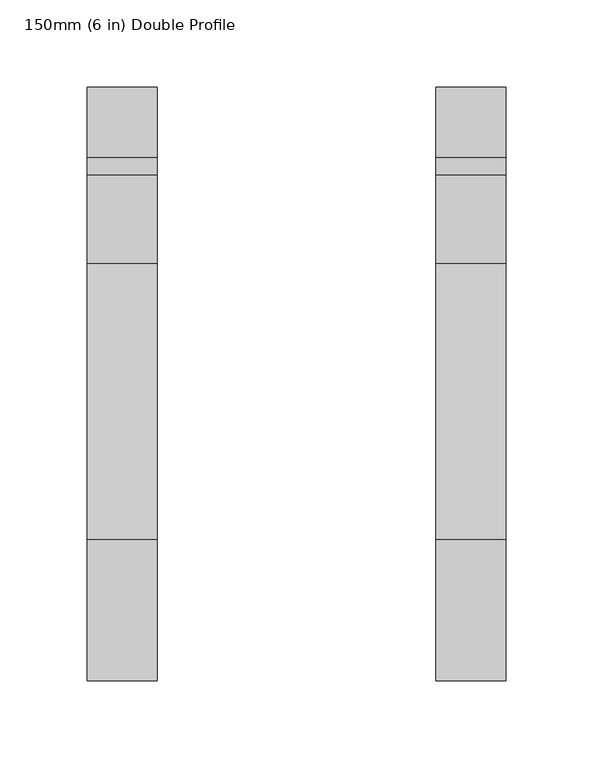
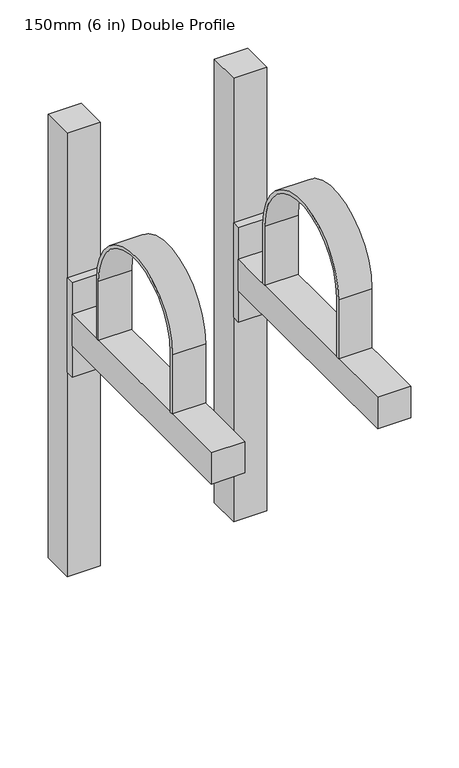
"""IFC4 building model written with IfcOpenShell, lengths in millimetres: proxy geometry, 150mm (6 in) Double Profile."""

from ifc_helpers import new_model, si_unit, point, frame, frame_2d, origin, origin_with_axes, place, context, project, spatial, polyline, circle_curve, trimmed, segment, composite_curve, outline, extrude, source, transform, mapped, element, save


def proxy_150mm_6_in_double_profile_9946b519(model_context):
    return source(origin(), model_context, "Body", "SweptSolid", [
        extrude(outline(composite_curve([segment(polyline([(-255.0, 415.0), (-255.0, 340.0), (-259.0, 340.0), (-259.0, 415.0)]), True, "CONTINUOUS"), segment(trimmed(circle_curve(frame_2d((-180.0, 415.0)), 79.0), [point((-259.0, 415.0))], [point((-101.0, 415.0))], False, "CARTESIAN"), True, "CONTINUOUS"), segment(polyline([(-101.0, 415.0), (-101.0, 340.0), (-105.0, 340.0), (-105.0, 415.0)]), True, "CONTINUOUS"), segment(trimmed(circle_curve(frame_2d((-180.0, 415.0)), 75.0), [point((-105.0, 415.0))], [point((-255.0, 415.0))], True, "CARTESIAN"), True, "CONTINUOUS")], self_intersect=False)), frame((180.0, 0.0, 0.0), z_axis=(1.0, 0.0, 0.0), x_axis=(0.0, 1.0, 0.0)), (0.0, 0.0, 1.0), 40.0),
        extrude(outline(polyline([(220.0, -50.0), (220.0, -340.0), (180.0, -340.0), (180.0, -50.0), (220.0, -50.0)])), frame((0.0, 0.0, 300.0), z_axis=(0.0, 0.0, 1.0), x_axis=(1.0, 0.0, 0.0)), (0.0, 0.0, 1.0), 40.0),
        extrude(outline(polyline([(220.0, -40.0), (220.0, -50.0), (180.0, -50.0), (180.0, -40.0), (220.0, -40.0)])), frame((0.0, 0.0, 260.0), z_axis=(0.0, 0.0, 1.0), x_axis=(1.0, 0.0, 0.0)), (0.0, 0.0, 1.0), 120.0),
        extrude(outline(polyline([(220.0, 0.0), (220.0, -40.0), (180.0, -40.0), (180.0, 0.0), (220.0, 0.0)])), origin_with_axes(), (0.0, 0.0, 1.0), 564.1051687),
        extrude(outline(composite_curve([segment(polyline([(-255.0, 415.0), (-255.0, 340.0), (-259.0, 340.0), (-259.0, 415.0)]), True, "CONTINUOUS"), segment(trimmed(circle_curve(frame_2d((-180.0, 415.0)), 79.0), [point((-259.0, 415.0))], [point((-101.0, 415.0))], False, "CARTESIAN"), True, "CONTINUOUS"), segment(polyline([(-101.0, 415.0), (-101.0, 340.0), (-105.0, 340.0), (-105.0, 415.0)]), True, "CONTINUOUS"), segment(trimmed(circle_curve(frame_2d((-180.0, 415.0)), 75.0), [point((-105.0, 415.0))], [point((-255.0, 415.0))], True, "CARTESIAN"), True, "CONTINUOUS")], self_intersect=False)), frame((-20.0, 0.0, 0.0), z_axis=(1.0, 0.0, 0.0), x_axis=(0.0, 1.0, 0.0)), (0.0, 0.0, 1.0), 40.0),
        extrude(outline(polyline([(20.0, -50.0), (20.0, -340.0), (-20.0, -340.0), (-20.0, -50.0), (20.0, -50.0)])), frame((0.0, 0.0, 300.0), z_axis=(0.0, 0.0, 1.0), x_axis=(1.0, 0.0, 0.0)), (0.0, 0.0, 1.0), 40.0),
        extrude(outline(polyline([(20.0, -40.0), (20.0, -50.0), (-20.0, -50.0), (-20.0, -40.0), (20.0, -40.0)])), frame((0.0, 0.0, 260.0), z_axis=(0.0, 0.0, 1.0), x_axis=(1.0, 0.0, 0.0)), (0.0, 0.0, 1.0), 120.0),
        extrude(outline(polyline([(20.0, 0.0), (20.0, -40.0), (-20.0, -40.0), (-20.0, 0.0), (20.0, 0.0)])), origin_with_axes(), (0.0, 0.0, 1.0), 564.1051687),
    ])


if __name__ == "__main__":
    model = new_model("IFC4")
    model_context = context("Model", 3, world=origin())
    ifc_project = project(units=[si_unit("LENGTHUNIT", "METRE", prefix="MILLI")], contexts=[model_context])
    site = spatial("IfcSite", under=ifc_project)
    building = spatial("IfcBuilding", under=site)
    placement = place(None, origin())
    proxy_150mm_6_in_double_profile_shape = proxy_150mm_6_in_double_profile_9946b519(model_context)
    element("IfcBuildingElementProxy", 1, Name="150mm (6 in) Double Profile", ObjectType="150mm (6 in) Double Profile", at=placement, inside=building, context=model_context, shape_type="MappedRepresentation", body=[
        mapped(proxy_150mm_6_in_double_profile_shape, transform((0.0, 0.0, 0.0), x_axis=(1.0, 0.0, 0.0), y_axis=(0.0, 1.0, 0.0), z_axis=(0.0, 0.0, 1.0))),
    ])
    save(model, "model.ifc")
